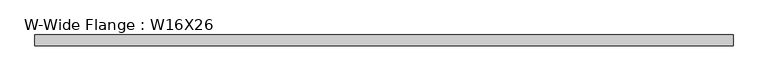
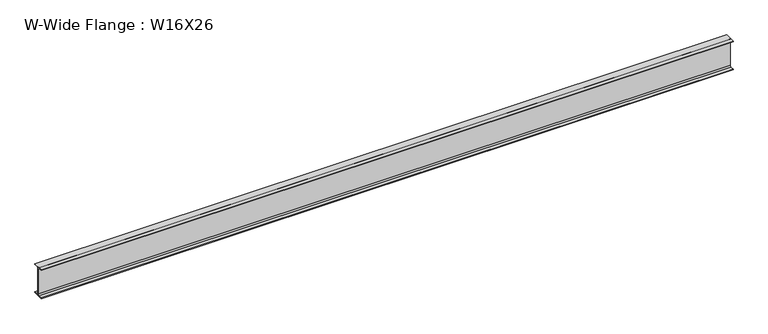
"""IFC4 building model written with IfcOpenShell, lengths in millimetres: beam geometry, W-Wide Flange : W16X26."""

from ifc_helpers import new_model, si_unit, point, frame, frame_2d, origin, place, context, project, spatial, polyline, circle_curve, trimmed, segment, composite_curve, outline, extrude, source, transform, mapped, element, save


def w_wide_flange_w16x26_aad8d992(model_context):
    return source(origin(), model_context, "Body", "SweptSolid", [
        extrude(outline(composite_curve([segment(polyline([(69.85, -190.5496094), (69.85, -199.2808594), (-69.85, -199.2808594), (-69.85, -190.5496094), (-21.43125, -190.5496094)]), True, "CONTINUOUS"), segment(trimmed(circle_curve(frame_2d((-21.43125, -172.2933594)), 18.25625), [point((-21.43125, -190.5496094))], [point((-3.175, -172.2933594))], True, "CARTESIAN"), True, "CONTINUOUS"), segment(polyline([(-3.175, -172.2933594), (-3.175, 172.2933594)]), True, "CONTINUOUS"), segment(trimmed(circle_curve(frame_2d((-21.43125, 172.2933594)), 18.25625), [point((-3.175, 172.2933594))], [point((-21.43125, 190.5496094))], True, "CARTESIAN"), True, "CONTINUOUS"), segment(polyline([(-21.43125, 190.5496094), (-69.85, 190.5496094), (-69.85, 199.2808594), (69.85, 199.2808594), (69.85, 190.5496094), (21.43125, 190.5496094)]), True, "CONTINUOUS"), segment(trimmed(circle_curve(frame_2d((21.43125, 172.2933594)), 18.25625), [point((21.43125, 190.5496094))], [point((3.175, 172.2933594))], True, "CARTESIAN"), True, "CONTINUOUS"), segment(polyline([(3.175, 172.2933594), (3.175, -172.2933594)]), True, "CONTINUOUS"), segment(trimmed(circle_curve(frame_2d((21.43125, -172.2933594)), 18.25625), [point((3.175, -172.2933594))], [point((21.43125, -190.5496094))], True, "CARTESIAN"), True, "CONTINUOUS"), segment(polyline([(21.43125, -190.5496094), (69.85, -190.5496094)]), True, "CONTINUOUS")], self_intersect=False)), frame((-4527.55, 0.0, 0.0), z_axis=(1.0, 0.0, 0.0), x_axis=(0.0, 1.0, 0.0)), (0.0, 0.0, 1.0), 9023.4988281),
    ])


if __name__ == "__main__":
    model = new_model("IFC4")
    model_context = context("Model", 3, world=origin())
    ifc_project = project(units=[si_unit("LENGTHUNIT", "METRE", prefix="MILLI")], contexts=[model_context])
    site = spatial("IfcSite", under=ifc_project)
    building = spatial("IfcBuilding", under=site)
    placement = place(None, origin())
    w_wide_flange_w16x26_shape = w_wide_flange_w16x26_aad8d992(model_context)
    element("IfcBeam", 1, ObjectType="W-Wide Flange : W16X26", at=placement, inside=building, context=model_context, shape_type="MappedRepresentation", body=[
        mapped(w_wide_flange_w16x26_shape, transform((0.0, 0.0, 0.0), x_axis=(1.0, 0.0, 0.0), y_axis=(0.0, 1.0, 0.0), z_axis=(0.0, 0.0, 1.0))),
    ])
    save(model, "model.ifc")
